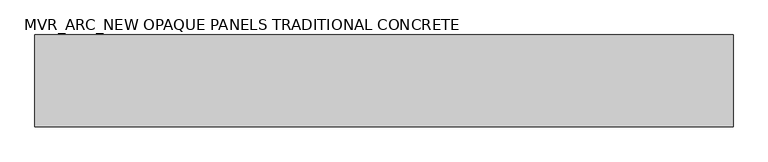
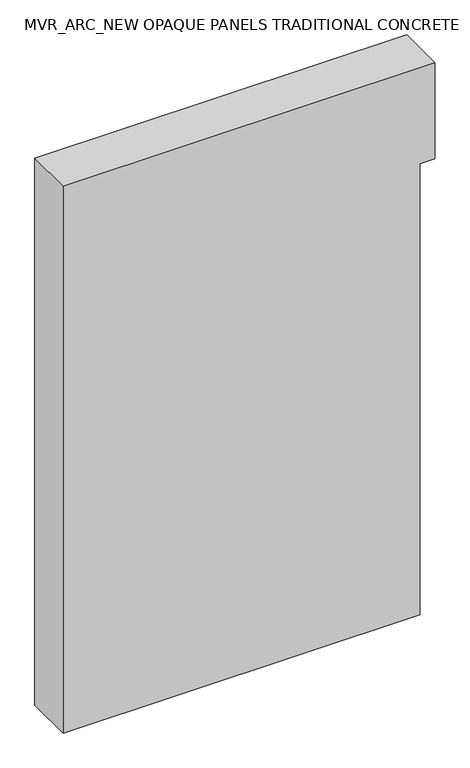
"""IFC4 building model written with IfcOpenShell, lengths in millimetres: plate geometry, MVR_ARC_NEW OPAQUE PANELS TRADITIONAL CONCRETE."""

from ifc_helpers import new_model, si_unit, frame, origin, place, context, project, spatial, polyline, outline, extrude, source, transform, mapped, element, save


def mvr_arc_new_opaque_panels_traditional_concrete_2c7390f1(model_context):
    return source(origin(), model_context, "Body", "SweptSolid", [
        extrude(outline(polyline([(0.0, -800.0), (0.0, 733.87196), (2050.0, 733.87196), (2050.0, 800.0), (2484.4, 800.0), (2484.4, -800.0), (0.0, -800.0)])), frame((0.0, -150.0, 0.0), z_axis=(0.0, 1.0, 0.0), x_axis=(0.0, 0.0, 1.0)), (0.0, 0.0, 1.0), 210.0),
    ])


if __name__ == "__main__":
    model = new_model("IFC4")
    model_context = context("Model", 3, world=origin())
    ifc_project = project(units=[si_unit("LENGTHUNIT", "METRE", prefix="MILLI")], contexts=[model_context])
    site = spatial("IfcSite", under=ifc_project)
    building = spatial("IfcBuilding", under=site)
    placement = place(None, origin())
    mvr_arc_new_opaque_panels_traditional_concrete_shape = mvr_arc_new_opaque_panels_traditional_concrete_2c7390f1(model_context)
    element("IfcPlate", 1, ObjectType="MVR_ARC_NEW OPAQUE PANELS TRADITIONAL CONCRETE", at=placement, inside=building, context=model_context, shape_type="MappedRepresentation", body=[
        mapped(mvr_arc_new_opaque_panels_traditional_concrete_shape, transform((0.0, 0.0, 0.0), x_axis=(1.0, 0.0, 0.0), y_axis=(0.0, 1.0, 0.0), z_axis=(0.0, 0.0, 1.0))),
    ])
    save(model, "model.ifc")
